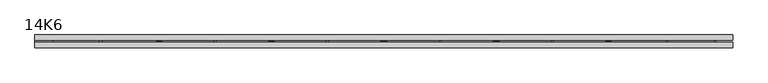
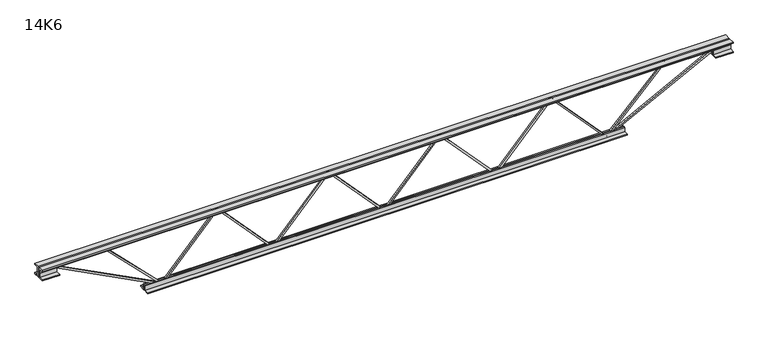
"""IFC4 building model written with IfcOpenShell, lengths in millimetres: beam geometry, 14K6."""

from ifc_helpers import new_model, si_unit, frame, origin, place, context, project, spatial, polyline, outline, extrude, source, transform, mapped, element, save


def beam_14k6_11b60a85(model_context):
    return source(origin(), model_context, "Body", "SweptSolid", [
        extrude(outline(polyline([(-166.9, 0.0), (-176.4, 0.0), (-176.4, 5.2602407), (166.9, 320.9102407), (166.9, 323.0897593), (-176.4, 638.7397593), (-176.4, 644.0), (-166.9, 644.0), (-166.9, 642.9102407), (176.4, 327.2602407), (176.4, 316.7397593), (-166.9, 1.0897593), (-166.9, 0.0)])), frame((0.0, -4.75, 0.0), z_axis=(0.0, 1.0, 0.0), x_axis=(0.0, 0.0, 1.0)), (0.0, 0.0, 1.0), 9.5),
        extrude(outline(polyline([(-166.9, -644.0), (-176.4, -644.0), (-176.4, -638.7397593), (166.9, -323.0897593), (166.9, -320.9102407), (-176.4, -5.2602407), (-176.4, 0.0), (-166.9, 0.0), (-166.9, -1.0897593), (176.4, -316.7397593), (176.4, -327.2602407), (-166.9, -642.9102407), (-166.9, -644.0)])), frame((0.0, -4.75, 0.0), z_axis=(0.0, 1.0, 0.0), x_axis=(0.0, 0.0, 1.0)), (0.0, 0.0, 1.0), 9.5),
        extrude(outline(polyline([(-166.9, 644.0), (-176.4, 644.0), (-176.4, 649.2602407), (166.9, 964.9102407), (166.9, 967.0897593), (-176.4, 1282.7397593), (-176.4, 1288.0), (-166.9, 1288.0), (-166.9, 1286.9102407), (176.4, 971.2602407), (176.4, 960.7397593), (-166.9, 645.0897593), (-166.9, 644.0)])), frame((0.0, -4.75, 0.0), z_axis=(0.0, 1.0, 0.0), x_axis=(0.0, 0.0, 1.0)), (0.0, 0.0, 1.0), 9.5),
        extrude(outline(polyline([(-166.9, -1288.0), (-176.4, -1288.0), (-176.4, -1282.7397593), (166.9, -967.0897593), (166.9, -964.9102407), (-176.4, -649.2602407), (-176.4, -644.0), (-166.9, -644.0), (-166.9, -645.0897593), (176.4, -960.7397593), (176.4, -971.2602407), (-166.9, -1286.9102407), (-166.9, -1288.0)])), frame((0.0, -4.75, 0.0), z_axis=(0.0, 1.0, 0.0), x_axis=(0.0, 0.0, 1.0)), (0.0, 0.0, 1.0), 9.5),
        extrude(outline(polyline([(4.75, 178.0), (36.75, 178.0), (36.75, 171.5), (11.25, 171.5), (11.25, 146.0), (4.75, 146.0), (4.75, 178.0)])), frame((-2000.0, 0.0, 0.0), z_axis=(1.0, 0.0, 0.0), x_axis=(0.0, 1.0, 0.0)), (0.0, 0.0, 1.0), 4000.0),
        extrude(outline(polyline([(-4.75, 178.0), (-4.75, 146.0), (-11.25, 146.0), (-11.25, 171.5), (-36.75, 171.5), (-36.75, 178.0), (-4.75, 178.0)])), frame((-2000.0, 0.0, 0.0), z_axis=(1.0, 0.0, 0.0), x_axis=(0.0, 1.0, 0.0)), (0.0, 0.0, 1.0), 4000.0),
        extrude(outline(polyline([(-4.75, 114.5), (-36.75, 114.5), (-36.75, 121.0), (-11.25, 121.0), (-11.25, 146.0), (-4.75, 146.0), (-4.75, 114.5)])), frame((-2000.0, 0.0, 0.0), z_axis=(1.0, 0.0, 0.0), x_axis=(0.0, 1.0, 0.0)), (0.0, 0.0, 1.0), 100.0),
        extrude(outline(polyline([(36.75, 114.5), (4.75, 114.5), (4.75, 146.0), (11.25, 146.0), (11.25, 121.0), (36.75, 121.0), (36.75, 114.5)])), frame((-2000.0, 0.0, 0.0), z_axis=(1.0, 0.0, 0.0), x_axis=(0.0, 1.0, 0.0)), (0.0, 0.0, 1.0), 100.0),
        extrude(outline(polyline([(4.75, 114.5), (4.75, 146.0), (11.25, 146.0), (11.25, 121.0), (36.75, 121.0), (36.75, 114.5), (4.75, 114.5)])), frame((1900.0, 0.0, 0.0), z_axis=(1.0, 0.0, 0.0), x_axis=(0.0, 1.0, 0.0)), (0.0, 0.0, 1.0), 100.0),
        extrude(outline(polyline([(-4.75, 114.5), (-36.75, 114.5), (-36.75, 121.0), (-11.25, 121.0), (-11.25, 146.0), (-4.75, 146.0), (-4.75, 114.5)])), frame((1900.0, 0.0, 0.0), z_axis=(1.0, 0.0, 0.0), x_axis=(0.0, 1.0, 0.0)), (0.0, 0.0, 1.0), 100.0),
        extrude(outline(polyline([(4.75, -178.0), (4.75, -146.0), (11.25, -146.0), (11.25, -171.5), (36.75, -171.5), (36.75, -178.0), (4.75, -178.0)])), frame((-1388.0, 0.0, 0.0), z_axis=(1.0, 0.0, 0.0), x_axis=(0.0, 1.0, 0.0)), (0.0, 0.0, 1.0), 2776.0),
        extrude(outline(polyline([(-4.75, -178.0), (-36.75, -178.0), (-36.75, -171.5), (-11.25, -171.5), (-11.25, -146.0), (-4.75, -146.0), (-4.75, -178.0)])), frame((-1388.0, 0.0, 0.0), z_axis=(1.0, 0.0, 0.0), x_axis=(0.0, 1.0, 0.0)), (0.0, 0.0, 1.0), 2776.0),
        extrude(outline(polyline([(-175.8659422, -1290.1882256), (-167.4340578, -1285.8117744), (150.75, -1898.8407162), (150.75, -2000.0), (141.25, -2000.0), (141.25, -1901.1592838), (-175.8659422, -1290.1882256)])), frame((0.0, -4.75, 0.0), z_axis=(0.0, 1.0, 0.0), x_axis=(0.0, 0.0, 1.0)), (0.0, 0.0, 1.0), 9.5),
        extrude(outline(polyline([(163.7, -1629.9571429), (154.2, -1629.9571429), (154.2, -1619.2303222), (-175.001915, -1291.3655856), (-168.298085, -1284.6344144), (163.7, -1615.2839635), (163.7, -1629.9571429)])), frame((0.0, -4.75, 0.0), z_axis=(0.0, 1.0, 0.0), x_axis=(0.0, 0.0, 1.0)), (0.0, 0.0, 1.0), 9.5),
        extrude(outline(polyline([(0.0, -9.5), (0.0, 0.0), (689.5255778, 0.0), (689.5255778, -9.5), (0.0, -9.5)])), frame((1902.1882256, -4.75, 141.7840578), z_axis=(-0.4606790671834051, 0.0, 0.8875667845627324), x_axis=(-0.8875667845627324, 0.0, -0.4606790671834051)), (0.0, 0.0, 1.0), 9.5),
        extrude(outline(polyline([(4.75, 4.75), (4.75, -4.75), (-4.75, -4.75), (-4.75, 4.75), (4.75, 4.75)])), frame((1288.0, 0.0, -171.65), z_axis=(0.7000137689572387, 0.0, 0.7141293463163951), x_axis=(0.0, -1.0, 0.0)), (0.0, 0.0, 1.0), 480.725238),
    ])


if __name__ == "__main__":
    model = new_model("IFC4")
    model_context = context("Model", 3, world=origin())
    ifc_project = project(units=[si_unit("LENGTHUNIT", "METRE", prefix="MILLI")], contexts=[model_context])
    site = spatial("IfcSite", under=ifc_project)
    building = spatial("IfcBuilding", under=site)
    placement = place(None, origin())
    beam_14k6_shape = beam_14k6_11b60a85(model_context)
    element("IfcBeam", 1, ObjectType="14K6", at=placement, inside=building, context=model_context, shape_type="MappedRepresentation", body=[
        mapped(beam_14k6_shape, transform((0.0, 0.0, 0.0), x_axis=(1.0, 0.0, 0.0), y_axis=(0.0, 1.0, 0.0), z_axis=(0.0, 0.0, 1.0))),
    ])
    save(model, "model.ifc")
